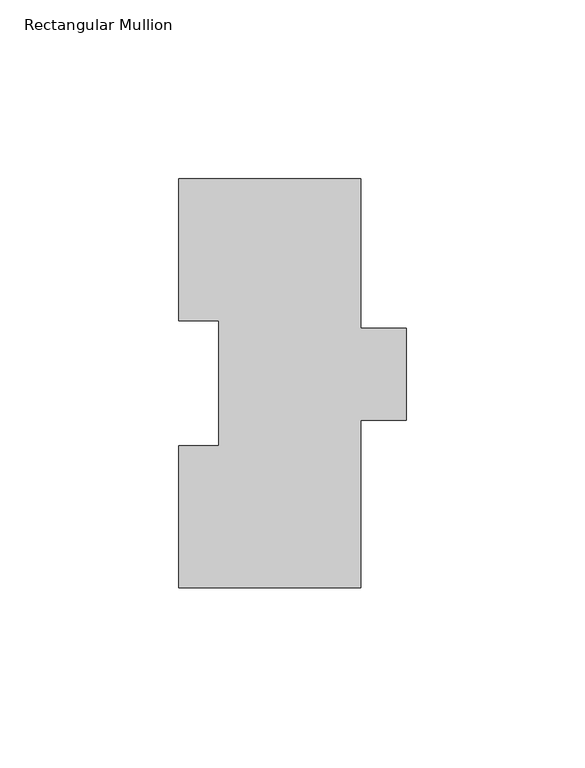
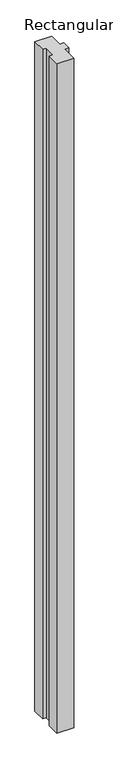
"""IFC4 building model written with IfcOpenShell, lengths in millimetres: member geometry, Rectangular Mullion."""

from ifc_helpers import new_model, si_unit, frame, origin, place, context, project, spatial, polyline, outline, extrude, source, transform, mapped, element, save


def rectangular_mullion_98a8c9bc(model_context):
    return source(origin(), model_context, "Body", "SweptSolid", [
        extrude(outline(polyline([(-25.4, 114.271425), (25.4, 114.271425), (25.4, 72.564625), (38.1, 72.564625), (38.1, 46.802675), (25.4, 46.802675), (25.4, -0.028575), (-25.4, -0.028575), (-25.4, 39.646225), (-14.2875, 39.646225), (-14.2875, 74.596625), (-25.4, 74.596625), (-25.4, 114.271425)])), frame((0.0, 0.0, -2133.6), z_axis=(0.0, 0.0, 1.0), x_axis=(1.0, 0.0, 0.0)), (0.0, 0.0, 1.0), 2133.6),
    ])


if __name__ == "__main__":
    model = new_model("IFC4")
    model_context = context("Model", 3, world=origin())
    ifc_project = project(units=[si_unit("LENGTHUNIT", "METRE", prefix="MILLI")], contexts=[model_context])
    site = spatial("IfcSite", under=ifc_project)
    building = spatial("IfcBuilding", under=site)
    placement = place(None, origin())
    rectangular_mullion_shape = rectangular_mullion_98a8c9bc(model_context)
    element("IfcMember", 1, ObjectType="Rectangular Mullion", at=placement, inside=building, context=model_context, shape_type="MappedRepresentation", body=[
        mapped(rectangular_mullion_shape, transform((0.0, 0.0, 0.0), x_axis=(1.0, 0.0, 0.0), y_axis=(0.0, 1.0, 0.0), z_axis=(0.0, 0.0, 1.0))),
    ])
    save(model, "model.ifc")
